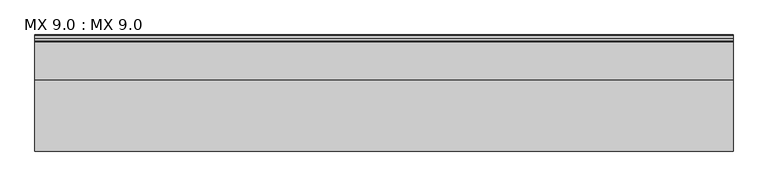
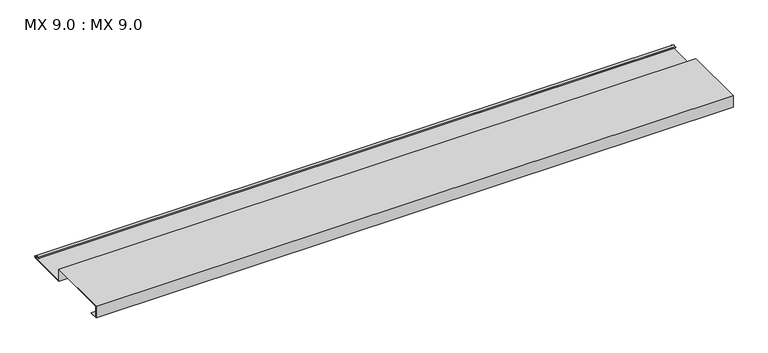
"""IFC4 building model written with IfcOpenShell, lengths in millimetres: proxy geometry, MX 9.0 : MX 9.0."""

from ifc_helpers import new_model, si_unit, point, frame, frame_2d, origin, place, context, project, spatial, polyline, circle_curve, trimmed, segment, composite_curve, outline, extrude, source, transform, mapped, element, save


def mx_9_0_mx_9_0_8203bbcf(model_context):
    return source(origin(), model_context, "Body", "SweptSolid", [
        extrude(outline(composite_curve([segment(polyline([(0.0, 0.0), (0.0, 38.0), (200.0, 38.0), (200.0, 0.0), (325.0510156, 0.0)]), True, "CONTINUOUS"), segment(trimmed(circle_curve(frame_2d((324.3094696, 1.9153551)), 2.0538928), [point((325.0510156, 0.0))], [point((325.1748462, 3.778041))], True, "CARTESIAN"), True, "CONTINUOUS"), segment(polyline([(325.1748462, 3.778041), (308.7874714, 6.923107)]), True, "CONTINUOUS"), segment(trimmed(circle_curve(frame_2d((309.4078886, 8.6005442)), 1.7884947), [point((308.7874714, 6.923107))], [point((308.9525789, 10.3301125))], False, "CARTESIAN"), True, "CONTINUOUS"), segment(polyline([(308.9525789, 10.3301125), (316.459338, 11.6715995), (316.635255, 10.6871945), (309.1762081, 9.3542338)]), True, "CONTINUOUS"), segment(trimmed(circle_curve(frame_2d((309.4078886, 8.6005442)), 0.7884947), [point((309.1762081, 9.3542338))], [point((309.0735117, 7.8864603))], True, "CARTESIAN"), True, "CONTINUOUS"), segment(polyline([(309.0735117, 7.8864603), (325.4722719, 4.7392091)]), True, "CONTINUOUS"), segment(trimmed(circle_curve(frame_2d((324.3094696, 1.9153551)), 3.0538928), [point((325.4722719, 4.7392091))], [point((325.2188462, -1.0))], False, "CARTESIAN"), True, "CONTINUOUS"), segment(polyline([(325.2188462, -1.0), (199.0, -1.0), (199.0, 37.0), (1.0, 37.0), (1.0, 1.0), (25.0, 1.0), (25.0, 0.0), (0.0, 0.0)]), True, "CONTINUOUS")], self_intersect=False)), frame((0.0, 0.0, 0.0), z_axis=(1.0, 0.0, 0.0), x_axis=(0.0, 1.0, 0.0)), (0.0, 0.0, 1.0), 1968.5604387),
    ])


if __name__ == "__main__":
    model = new_model("IFC4")
    model_context = context("Model", 3, world=origin())
    ifc_project = project(units=[si_unit("LENGTHUNIT", "METRE", prefix="MILLI")], contexts=[model_context])
    site = spatial("IfcSite", under=ifc_project)
    building = spatial("IfcBuilding", under=site)
    placement = place(None, origin())
    mx_9_0_mx_9_0_shape = mx_9_0_mx_9_0_8203bbcf(model_context)
    element("IfcBuildingElementProxy", 1, Name="MX 9.0 : MX 9.0", ObjectType="MX 9.0 : MX 9.0", at=placement, inside=building, context=model_context, shape_type="MappedRepresentation", body=[
        mapped(mx_9_0_mx_9_0_shape, transform((0.0, 0.0, 0.0), x_axis=(1.0, 0.0, 0.0), y_axis=(0.0, 1.0, 0.0), z_axis=(0.0, 0.0, 1.0))),
    ])
    save(model, "model.ifc")
